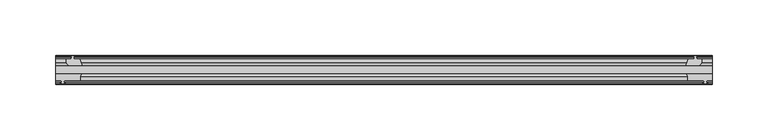
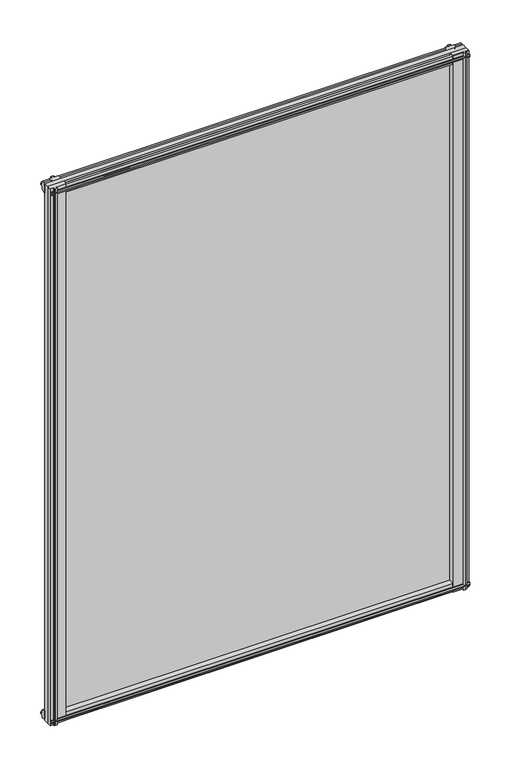
"""IFC4 building model written with IfcOpenShell, lengths in millimetres: plate geometry."""

from ifc_helpers import new_model, si_unit, point, frame, frame_2d, origin, place, context, project, spatial, polyline, circle_curve, trimmed, segment, composite_curve, outline, extrude, source, transform, mapped, element, save


def plate_13a9f00f(model_context):
    return source(origin(), model_context, "Body", "SweptSolid", [
        extrude(outline(polyline([(-295.275, -19.5460937), (295.275, -19.5460937), (295.275, -25.8960937), (-295.275, -25.8960937), (-295.275, -19.5460937)])), frame((0.0, 0.0, -12.7), z_axis=(0.0, 0.0, 1.0), x_axis=(1.0, 0.0, 0.0)), (0.0, 0.0, 1.0), 800.1),
        extrude(outline(composite_curve([segment(polyline([(-295.2792854, -32.2460937), (-295.2792854, -25.8960937), (-271.9572351, -25.8960937)]), True, "CONTINUOUS"), segment(trimmed(circle_curve(frame_2d((-264.168449, -30.5054843)), 9.0505066), [point((-271.9572351, -25.8960937))], [point((-273.05, -32.2460937))], True, "CARTESIAN"), True, "CONTINUOUS"), segment(polyline([(-273.05, -32.2460937), (-287.6592854, -32.2460937), (-287.9767854, -34.3506957), (-286.7581795, -34.0241712), (-286.5543854, -34.7847412), (-288.9292854, -35.4210937), (-291.3041854, -34.7847412), (-291.1003913, -34.0241712), (-289.8817854, -34.3506957), (-290.1992854, -32.2460937), (-295.2792854, -32.2460937)]), True, "CONTINUOUS")], self_intersect=False)), frame((0.0, 0.0, -12.7), z_axis=(0.0, 0.0, 1.0), x_axis=(1.0, 0.0, 0.0)), (0.0, 0.0, 1.0), 800.1),
        extrude(outline(composite_curve([segment(polyline([(295.2792854, -32.2460938), (290.1992854, -32.2460938), (289.8817854, -34.3506957), (291.1003913, -34.0241712), (291.3041854, -34.7847412), (288.9292854, -35.4210938), (286.5543854, -34.7847412), (286.7581795, -34.0241712), (287.9767854, -34.3506957), (287.6592854, -32.2460938), (273.05, -32.2460938)]), True, "CONTINUOUS"), segment(trimmed(circle_curve(frame_2d((264.168449, -30.5054843)), 9.0505066), [point((273.05, -32.2460938))], [point((271.9572351, -25.8960937))], True, "CARTESIAN"), True, "CONTINUOUS"), segment(polyline([(271.9572351, -25.8960937), (295.2792854, -25.8960937), (295.2792854, -32.2460938)]), True, "CONTINUOUS")], self_intersect=False)), frame((0.0, 0.0, -12.7), z_axis=(0.0, 0.0, 1.0), x_axis=(1.0, 0.0, 0.0)), (0.0, 0.0, 1.0), 800.1),
        extrude(outline(polyline([(277.7431709, -10.4746158), (279.9207, -9.7670938), (282.098229, -10.4746158), (282.098229, -11.27583), (280.6827, -10.8158968), (281.0637, -13.1960938), (285.5087, -13.1960938), (285.5087, -16.1424938), (283.2960038, -19.5460937), (271.4654229, -19.5460937), (273.5707, -13.1960938), (278.7777, -13.1960938), (279.1587, -10.8158968), (277.7431709, -11.27583), (277.7431709, -10.4746158)])), frame((0.0, 0.0, -12.7), z_axis=(0.0, 0.0, 1.0), x_axis=(1.0, 0.0, 0.0)), (0.0, 0.0, 1.0), 800.1),
        extrude(outline(polyline([(-280.6827, -10.8158968), (-282.098229, -11.27583), (-282.098229, -10.4746158), (-279.9207, -9.7670937), (-277.7431709, -10.4746158), (-277.7431709, -11.27583), (-279.1587, -10.8158968), (-278.7777, -13.1960937), (-273.5707, -13.1960937), (-271.4654229, -19.5460937), (-283.2960038, -19.5460937), (-285.5087, -16.1424937), (-285.5087, -13.1960937), (-281.0637, -13.1960937), (-280.6827, -10.8158968)])), frame((0.0, 0.0, -12.7), z_axis=(0.0, 0.0, 1.0), x_axis=(1.0, 0.0, 0.0)), (0.0, 0.0, 1.0), 800.1),
        extrude(outline(polyline([(-13.1960937, 787.1587), (-13.1960937, 782.7137), (-10.8158968, 782.3327), (-11.27583, 783.7482291), (-10.4746158, 783.7482291), (-9.7670937, 781.5707), (-10.4746158, 779.393171), (-11.27583, 779.393171), (-10.8158968, 780.8087), (-13.1960937, 780.4277), (-13.1960937, 775.2207), (-19.5460937, 773.115423), (-19.5460937, 784.9460038), (-16.1424937, 787.1587), (-13.1960937, 787.1587)])), frame((-295.275, 0.0, 0.0), z_axis=(1.0, 0.0, 0.0), x_axis=(0.0, 1.0, 0.0)), (0.0, 0.0, 1.0), 590.55),
        extrude(outline(polyline([(-29.2996937, 786.638), (-25.8960937, 784.4253038), (-25.8960937, 772.594723), (-32.2460937, 774.7), (-32.2460937, 779.907), (-34.6262907, 780.288), (-34.1663575, 778.872471), (-34.9675717, 778.872471), (-35.6750937, 781.05), (-34.9675717, 783.2275291), (-34.1663575, 783.2275291), (-34.6262907, 781.812), (-32.2460937, 782.193), (-32.2460937, 786.638), (-29.2996937, 786.638)])), frame((-295.275, 0.0, 0.0), z_axis=(1.0, 0.0, 0.0), x_axis=(0.0, 1.0, 0.0)), (0.0, 0.0, 1.0), 590.55),
        extrude(outline(polyline([(-25.8960937, 2.1052771), (-25.8960937, -9.7253038), (-29.2996937, -11.938), (-32.2460937, -11.938), (-32.2460937, -7.493), (-34.6262907, -7.112), (-34.1663575, -8.5275291), (-34.9675717, -8.5275291), (-35.6750937, -6.35), (-34.9675717, -4.1724709), (-34.1663575, -4.1724709), (-34.6262907, -5.588), (-32.2460937, -5.207), (-32.2460937, 0.0), (-25.8960937, 2.1052771)])), frame((-295.275, 0.0, 0.0), z_axis=(1.0, 0.0, 0.0), x_axis=(0.0, 1.0, 0.0)), (0.0, 0.0, 1.0), 590.55),
        extrude(outline(polyline([(-19.5460937, 1.5845771), (-13.1960937, -0.5207), (-13.1960937, -5.7277), (-10.8158968, -6.1087), (-11.27583, -4.6931709), (-10.4746158, -4.6931709), (-9.7670937, -6.8707), (-10.4746158, -9.048229), (-11.27583, -9.048229), (-10.8158968, -7.6327), (-13.1960937, -8.0137), (-13.1960937, -12.4587), (-16.1424937, -12.4587), (-19.5460937, -10.2460038), (-19.5460937, 1.5845771)])), frame((-295.275, 0.0, 0.0), z_axis=(1.0, 0.0, 0.0), x_axis=(0.0, 1.0, 0.0)), (0.0, 0.0, 1.0), 590.55),
    ])


if __name__ == "__main__":
    model = new_model("IFC4")
    model_context = context("Model", 3, world=origin())
    ifc_project = project(units=[si_unit("LENGTHUNIT", "METRE", prefix="MILLI")], contexts=[model_context])
    site = spatial("IfcSite", under=ifc_project)
    building = spatial("IfcBuilding", under=site)
    placement = place(None, origin())
    plate_shape = plate_13a9f00f(model_context)
    element("IfcPlate", 1, at=placement, inside=building, context=model_context, shape_type="MappedRepresentation", body=[
        mapped(plate_shape, transform((0.0, 0.0, 0.0), x_axis=(1.0, 0.0, 0.0), y_axis=(0.0, 1.0, 0.0), z_axis=(0.0, 0.0, 1.0))),
    ])
    save(model, "model.ifc")
